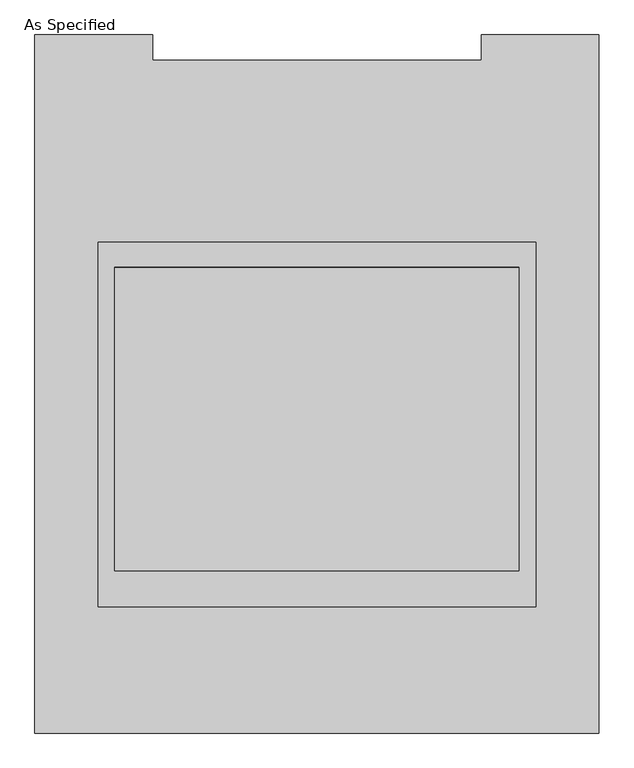
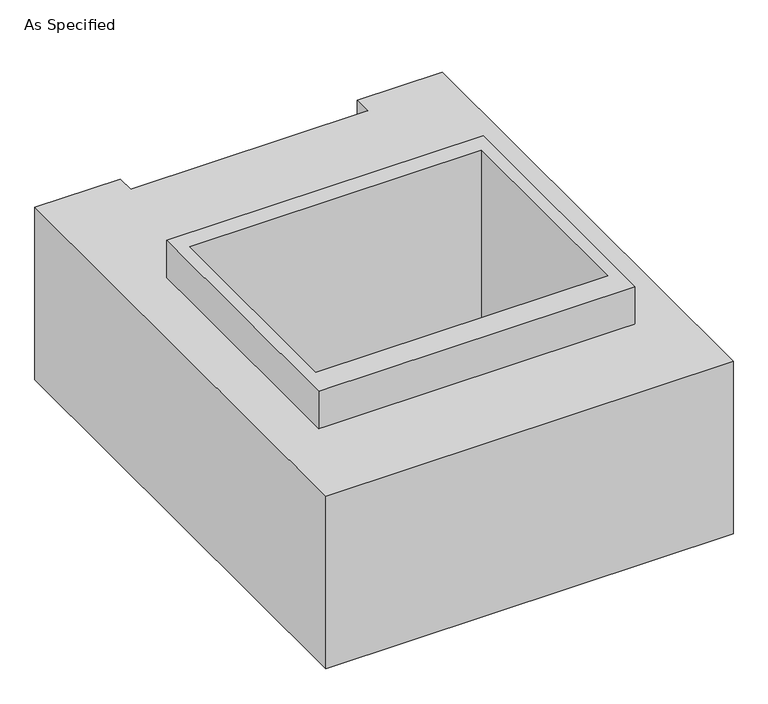
"""IFC4 building model written with IfcOpenShell, lengths in millimetres: proxy geometry, As Specified."""

from ifc_helpers import new_model, si_unit, frame, origin, place, context, project, spatial, polyline, outline, extrude, faceted_brep, source, transform, mapped, element, save


def as_specified_68fc93c4(model_context):
    return source(origin(), model_context, "Body", "SolidModel", [
        extrude(outline(polyline([(660.4, 465.534375), (660.4, -633.015625), (-660.4, -633.015625), (-660.4, 465.534375), (660.4, 465.534375)]), holes=[polyline([(-609.6, 389.3740625), (-609.6, -525.0259375), (609.6, -525.0259375), (609.6, 389.3740625), (-609.6, 389.3740625)])]), frame((0.0, 0.0, -762.0), z_axis=(0.0, 0.0, 1.0), x_axis=(1.0, 0.0, 0.0)), (0.0, 0.0, 1.0), 901.7),
        faceted_brep([(850.9, -1014.015625, -787.4), (-850.9, -1014.015625, -787.4), (-850.9, 1090.374375, -787.4), (-495.3, 1090.374375, -787.4), (-495.3, 1014.015625, -787.4), (495.3, 1014.015625, -787.4), (495.3, 1090.374375, -787.4), (850.9, 1090.374375, -787.4), (850.9, 1090.374375, -25.4), (495.3, 1090.374375, -25.4), (495.3, 1014.015625, -25.4), (-495.3, 1014.015625, -25.4), (-495.3, 1090.374375, -25.4), (-850.9, 1090.374375, -25.4), (-850.9, -1014.015625, -25.4), (850.9, -1014.015625, -25.4), (609.6, 389.3740625, -25.4), (609.6, -525.0259375, -25.4), (-609.6, -525.0259375, -25.4), (-609.6, 389.3740625, -25.4), (609.6, 389.3740625, -762.0), (-609.6, 389.3740625, -762.0), (-609.6, -525.0259375, -762.0), (609.6, -525.0259375, -762.0)], [[[0, 1, 2, 3, 4, 5, 6, 7]], [[8, 9, 10, 11, 12, 13, 14, 15], [16, 17, 18, 19]], [[4, 11, 10, 5]], [[14, 1, 0, 15]], [[20, 21, 22, 23]], [[20, 23, 17, 16]], [[23, 22, 18, 17]], [[22, 21, 19, 18]], [[21, 20, 16, 19]], [[1, 14, 13, 2]], [[0, 7, 8, 15]], [[3, 2, 13, 12]], [[4, 3, 12, 11]], [[7, 6, 9, 8]], [[6, 5, 10, 9]]]),
    ])


if __name__ == "__main__":
    model = new_model("IFC4")
    model_context = context("Model", 3, world=origin())
    ifc_project = project(units=[si_unit("LENGTHUNIT", "METRE", prefix="MILLI")], contexts=[model_context])
    site = spatial("IfcSite", under=ifc_project)
    building = spatial("IfcBuilding", under=site)
    placement = place(None, origin())
    as_specified_shape = as_specified_68fc93c4(model_context)
    element("IfcBuildingElementProxy", 1, Name="As Specified", ObjectType="As Specified", at=placement, inside=building, context=model_context, shape_type="MappedRepresentation", body=[
        mapped(as_specified_shape, transform((0.0, 0.0, 0.0), x_axis=(1.0, 0.0, 0.0), y_axis=(0.0, 1.0, 0.0), z_axis=(0.0, 0.0, 1.0))),
    ])
    save(model, "model.ifc")
